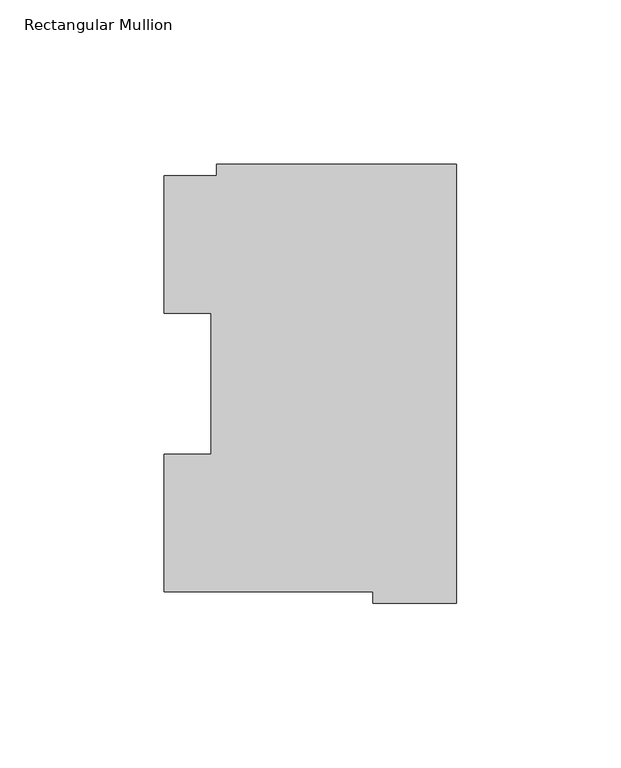
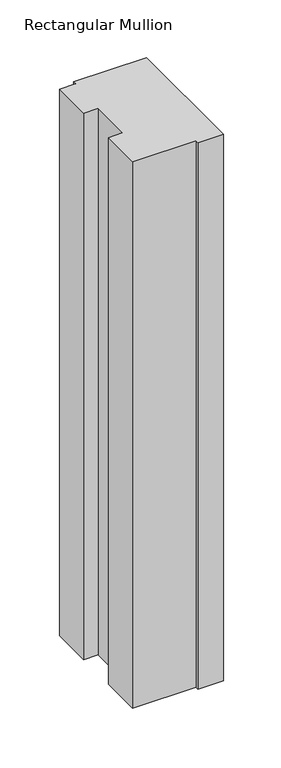
"""IFC4 building model written with IfcOpenShell, lengths in millimetres: member geometry, Rectangular Mullion."""

import ifcopenshell
import ifcopenshell.guid

model = None  # the IFC model being written
_history = None  # IfcOwnerHistory: only IFC2X3 demands one
_inside = {}  # id of a spatial element -> (the spatial element, [elements in it])
_under = {}  # id of a project, library or spatial element -> (it, [spatial elements below it])
_declared = {}  # id of a project -> (the project, [libraries it declares])
_typed = {}  # id of a type object -> (the type object, [elements of that type])
_made_of = {}  # id of a material, layer set ... -> (it, [elements and type objects made of it])


def new_model(schema):
    """Start an empty IFC model of exactly this schema.

    Asked for "IFC4X3", IfcOpenShell would pick the latest addendum, in which some entities
    have other attributes; the version numbers below select the first issue.
    IFC2X3 requires an IfcOwnerHistory on every rooted entity: one is made here for all.
    """
    global model, _history
    if schema == "IFC4X3":
        model = ifcopenshell.file(schema_version=(4, 3, 0, 0))
    else:
        model = ifcopenshell.file(schema=schema)
    _inside.clear()
    _under.clear()
    _declared.clear()
    _typed.clear()
    _made_of.clear()
    _history = None
    if model.schema == "IFC2X3":
        org = make("IfcOrganization", Name="unknown")
        user = make(
            "IfcPersonAndOrganization",
            ThePerson=make("IfcPerson", FamilyName="unknown"),
            TheOrganization=org,
        )
        app = make(
            "IfcApplication",
            ApplicationDeveloper=org,
            Version="unknown",
            ApplicationFullName="unknown",
            ApplicationIdentifier="unknown",
        )
        _history = make(
            "IfcOwnerHistory",
            OwningUser=user,
            OwningApplication=app,
            ChangeAction="ADDED",
            CreationDate=0,
        )
    return model


def make(cls, **values):
    """One entity of the class cls with the attributes given. An attribute that is None is left unset."""
    return model.create_entity(
        cls, **{name: value for name, value in values.items() if value is not None}
    )


def rooted(cls, **values):
    """An entity with a GlobalId (a new one), such as an element, a storey or a relation."""
    return make(cls, GlobalId=ifcopenshell.guid.new(), OwnerHistory=_history, **values)


def si_unit(unit_type, name, prefix=None):
    """IfcSIUnit, for example si_unit("LENGTHUNIT", "METRE", prefix="MILLI")."""
    return make("IfcSIUnit", UnitType=unit_type, Prefix=prefix, Name=name)


def assignment(units):
    """IfcUnitAssignment: the units of a project."""
    return None if units is None else make("IfcUnitAssignment", Units=units)


def point(xyz):
    """IfcCartesianPoint."""
    return None if xyz is None else make("IfcCartesianPoint", Coordinates=xyz)


def direction(xyz):
    """IfcDirection."""
    return None if xyz is None else make("IfcDirection", DirectionRatios=xyz)


def frame(location, z_axis=None, x_axis=None):
    """IfcAxis2Placement3D, a coordinate frame: its origin and axes. An axis left out is left unset."""
    return make(
        "IfcAxis2Placement3D",
        Location=point(location),
        Axis=direction(z_axis),
        RefDirection=direction(x_axis),
    )


def origin():
    """The frame at (0, 0, 0) with its axes left unset."""
    return frame((0.0, 0.0, 0.0))


def place(relative_to, where):
    """IfcLocalPlacement: puts the frame where relative to a parent placement (None: the world)."""
    return make(
        "IfcLocalPlacement", PlacementRelTo=relative_to, RelativePlacement=where
    )


def context(
    kind, dimensions, precision=None, world=None, true_north=None, identifier=None
):
    """IfcGeometricRepresentationContext, for example the 3D "Model" context."""
    return make(
        "IfcGeometricRepresentationContext",
        ContextIdentifier=identifier,
        ContextType=kind,
        CoordinateSpaceDimension=dimensions,
        Precision=precision,
        WorldCoordinateSystem=world,
        TrueNorth=true_north,
    )


def project(units=None, contexts=None):
    """IfcProject with its units and contexts."""
    return rooted(
        "IfcProject",
        Name="project",
        RepresentationContexts=contexts,
        UnitsInContext=assignment(units),
    )


def spatial(cls, under=None, at=None, **own):
    """A site, building, storey or space (cls), placed at a placement, below another one or the project."""
    s = rooted(cls, ObjectPlacement=at, **own)
    if under is not None:
        _under.setdefault(under.id(), (under, []))[1].append(s)
    return s


def polyline(points):
    """IfcPolyline through the points."""
    return make("IfcPolyline", Points=[point(p) for p in points])


def outline(outer, holes=None, kind="AREA"):
    """IfcArbitraryClosedProfileDef: a profile drawn as a closed curve; with holes, ...WithVoids."""
    if holes is None:
        return make("IfcArbitraryClosedProfileDef", ProfileType=kind, OuterCurve=outer)
    return make(
        "IfcArbitraryProfileDefWithVoids",
        ProfileType=kind,
        OuterCurve=outer,
        InnerCurves=holes,
    )


def extrude(swept, where, along, depth):
    """IfcExtrudedAreaSolid: the profile swept, set in the frame where, extruded along a direction by depth."""
    return make(
        "IfcExtrudedAreaSolid",
        SweptArea=swept,
        Position=where,
        ExtrudedDirection=direction(along),
        Depth=depth,
    )


def shape(context_of_items, identifier, shape_type, items):
    """IfcShapeRepresentation: the items that make up one representation, for example the "Body"."""
    return make(
        "IfcShapeRepresentation",
        ContextOfItems=context_of_items,
        RepresentationIdentifier=identifier,
        RepresentationType=shape_type,
        Items=items,
    )


def source(mapping_origin, context_of_items, identifier, shape_type, items):
    """IfcRepresentationMap: a shape defined once, which mapped items show again and again."""
    return make(
        "IfcRepresentationMap",
        MappingOrigin=mapping_origin,
        MappedRepresentation=shape(context_of_items, identifier, shape_type, items),
    )


def transform(
    local_origin,
    x_axis=None,
    y_axis=None,
    z_axis=None,
    scale=None,
    scale2=None,
    scale3=None,
    uniform=True,
):
    """IfcCartesianTransformationOperator3D, or its non-uniform kind. x_axis, y_axis, z_axis: its Axis1, 2, 3."""
    if uniform:
        return make(
            "IfcCartesianTransformationOperator3D",
            Axis1=direction(x_axis),
            Axis2=direction(y_axis),
            LocalOrigin=point(local_origin),
            Scale=scale,
            Axis3=direction(z_axis),
        )
    return make(
        "IfcCartesianTransformationOperator3DnonUniform",
        Axis1=direction(x_axis),
        Axis2=direction(y_axis),
        LocalOrigin=point(local_origin),
        Scale=scale,
        Axis3=direction(z_axis),
        Scale2=scale2,
        Scale3=scale3,
    )


def mapped(mapping_source, mapping_target):
    """IfcMappedItem: shows the shape of a source again, moved by a transform."""
    return make(
        "IfcMappedItem", MappingSource=mapping_source, MappingTarget=mapping_target
    )


def made_of(thing, what):
    """Note that an element or type object is made of a material, layer set ...; save() writes the relation."""
    if what is not None:
        _made_of.setdefault(what.id(), (what, []))[1].append(thing)
    return thing


def element(
    cls,
    number,
    at=None,
    inside=None,
    cuts=None,
    type_object=None,
    material=None,
    context=None,
    identifier="Body",
    shape_type=None,
    held_by="IfcProductDefinitionShape",
    body=None,
    shapes=None,
    **own,
):
    """One element of the class cls, such as IfcWall. Its Tag is "e" and its number.

    at: its placement. inside: the storey or other place that contains it. cuts: it is an
    opening in that element (IfcRelVoidsElement). A single representation is given by context,
    identifier, shape_type and body (its items); several are given by shapes. held_by: the class
    of the entity that holds the representations. save() writes the other relations.
    """
    e = rooted(cls, Tag="e%d" % number, ObjectPlacement=at, **own)
    if body is not None:
        shapes = [shape(context, identifier, shape_type, body)]
    if shapes is not None:
        e.Representation = make(held_by, Representations=shapes)
    if inside is not None:
        _inside.setdefault(inside.id(), (inside, []))[1].append(e)
    if cuts is not None:
        rooted(
            "IfcRelVoidsElement", RelatingBuildingElement=cuts, RelatedOpeningElement=e
        )
    if type_object is not None:
        _typed.setdefault(type_object.id(), (type_object, []))[1].append(e)
    return made_of(e, material)


def aggregate(whole, parts):
    """IfcRelAggregates: a whole, such as a stair, and the parts it consists of."""
    return rooted("IfcRelAggregates", RelatingObject=whole, RelatedObjects=parts)


def save(model, path):
    """Write the relations noted so far, then the file.

    IfcRelAggregates (storeys below a building ...), IfcRelContainedInSpatialStructure (elements
    in a storey), IfcRelDefinesByType, IfcRelAssociatesMaterial and IfcRelDeclares: one each for
    every whole, place, type object, material and project.
    """
    for whole, parts in _under.values():
        aggregate(whole, parts)
    for where, things in _inside.values():
        rooted(
            "IfcRelContainedInSpatialStructure",
            RelatedElements=things,
            RelatingStructure=where,
        )
    for kind, things in _typed.values():
        rooted("IfcRelDefinesByType", RelatedObjects=things, RelatingType=kind)
    for what, things in _made_of.values():
        rooted("IfcRelAssociatesMaterial", RelatedObjects=things, RelatingMaterial=what)
    for by, libraries in _declared.values():
        rooted("IfcRelDeclares", RelatingContext=by, RelatedDefinitions=libraries)
    model.write(path)


def rectangular_mullion_98ac35bd(model_context):
    return source(origin(), model_context, "Body", "SweptSolid", [
        extrude(outline(polyline([(-88.8772701, 126.75235), (-73.025, 126.75235), (-73.025, 130.1706837), (0.0, 130.1706837), (0.0, -3.193538), (-25.3772701, -3.193538), (-25.3772701, 0.26035), (-88.8772701, 0.26035), (-88.8772701, 42.0334858), (-74.5947228, 42.0334858), (-74.5947228, 84.93125), (-88.8772701, 84.93125), (-88.8772701, 126.75235)])), frame((0.0, 0.0, -577.8497287), z_axis=(0.0, 0.0, 1.0), x_axis=(1.0, 0.0, 0.0)), (0.0, 0.0, 1.0), 577.8497287),
    ])


if __name__ == "__main__":
    model = new_model("IFC4")
    model_context = context("Model", 3, world=origin())
    ifc_project = project(units=[si_unit("LENGTHUNIT", "METRE", prefix="MILLI")], contexts=[model_context])
    site = spatial("IfcSite", under=ifc_project)
    building = spatial("IfcBuilding", under=site)
    placement = place(None, origin())
    rectangular_mullion_shape = rectangular_mullion_98ac35bd(model_context)
    element("IfcMember", 1, ObjectType="Rectangular Mullion", at=placement, inside=building, context=model_context, shape_type="MappedRepresentation", body=[
        mapped(rectangular_mullion_shape, transform((0.0, 0.0, 0.0), x_axis=(1.0, 0.0, 0.0), y_axis=(0.0, 1.0, 0.0), z_axis=(0.0, 0.0, 1.0))),
    ])
    save(model, "model.ifc")
